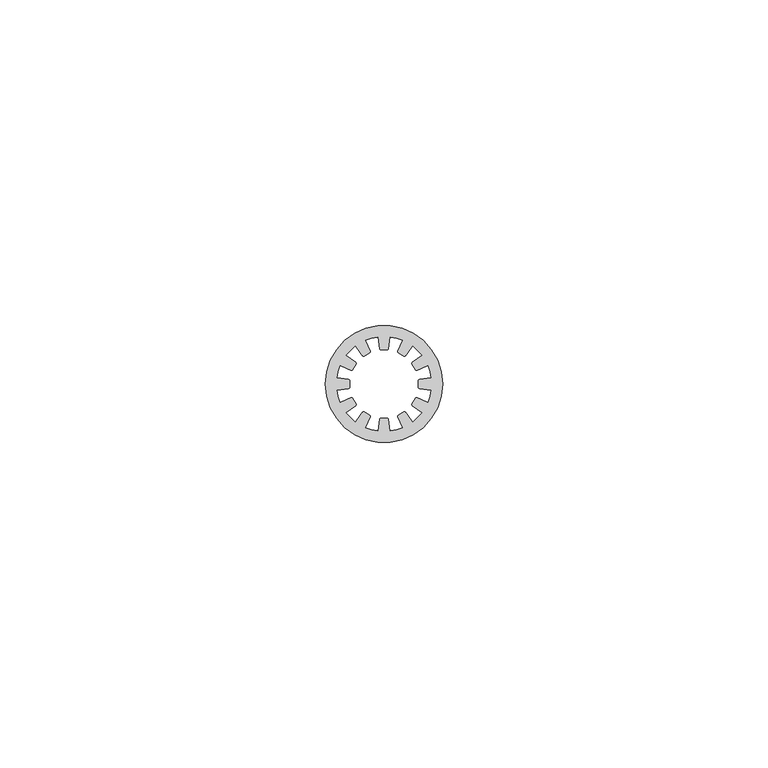
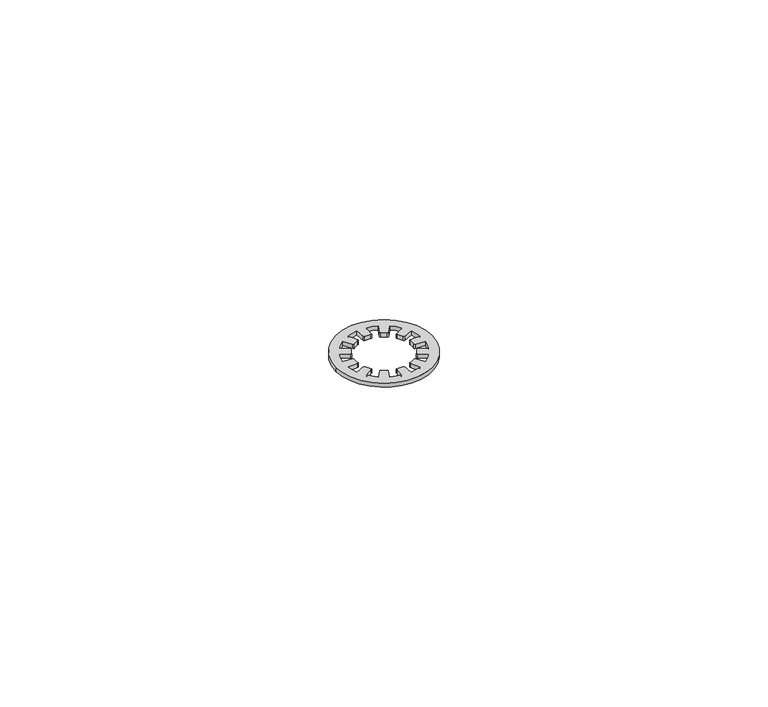
"""IFC4 building model written with IfcOpenShell, lengths in millimetres: proxy geometry."""

from ifc_helpers import new_model, si_unit, point, frame_2d, origin, origin_with_axes, origin_2d, place, context, project, spatial, polyline, circle_curve, trimmed, segment, composite_curve, outline, extrude, source, transform, mapped, element, save


def generic_models_c9ee34f6(model_context):
    return source(origin(), model_context, "Body", "SweptSolid", [
        extrude(outline(composite_curve([segment(trimmed(circle_curve(origin_2d(), 9.0), [point((9.0, 0.0))], [point((-9.0, 0.0))], False, "CARTESIAN"), True, "CONTINUOUS"), segment(trimmed(circle_curve(origin_2d(), 9.0), [point((-9.0, 0.0))], [point((9.0, 0.0))], False, "CARTESIAN"), True, "CONTINUOUS")], self_intersect=False), holes=[composite_curve([segment(trimmed(circle_curve(frame_2d((-5.4, 0.5667338)), 0.2), [point((-5.3825689, 0.7659727))], [point((-5.2, 0.5667338))], False, "CARTESIAN"), True, "CONTINUOUS"), segment(polyline([(-5.2, 0.5667338), (-5.2, -0.5667338)]), True, "CONTINUOUS"), segment(trimmed(circle_curve(frame_2d((-5.4, -0.5667338)), 0.2), [point((-5.2, -0.5667338))], [point((-5.3825689, -0.7659727))], False, "CARTESIAN"), True, "CONTINUOUS"), segment(polyline([(-5.3825689, -0.7659727), (-7.1908551, -0.9241772)]), True, "CONTINUOUS"), segment(trimmed(circle_curve(origin_2d(), 7.25), [point((-7.1908551, -0.9241772))], [point((-6.6895518, -2.7950666))], True, "CARTESIAN"), True, "CONTINUOUS"), segment(polyline([(-6.6895518, -2.7950666), (-5.0444277, -2.0279326)]), True, "CONTINUOUS"), segment(trimmed(circle_curve(frame_2d((-4.9599041, -2.2091942)), 0.2), [point((-5.0444277, -2.0279326))], [point((-4.786699, -2.1091942))], False, "CARTESIAN"), True, "CONTINUOUS"), segment(polyline([(-4.786699, -2.1091942), (-4.2199652, -3.0908058)]), True, "CONTINUOUS"), segment(trimmed(circle_curve(frame_2d((-4.3931703, -3.1908058)), 0.2), [point((-4.2199652, -3.0908058))], [point((-4.278455, -3.3546362))], False, "CARTESIAN"), True, "CONTINUOUS"), segment(polyline([(-4.278455, -3.3546362), (-5.7653745, -4.3957885)]), True, "CONTINUOUS"), segment(trimmed(circle_curve(origin_2d(), 7.25), [point((-5.7653745, -4.3957885))], [point((-4.3957885, -5.7653745))], True, "CARTESIAN"), True, "CONTINUOUS"), segment(polyline([(-4.3957885, -5.7653745), (-3.3546362, -4.278455)]), True, "CONTINUOUS"), segment(trimmed(circle_curve(frame_2d((-3.1908058, -4.3931703)), 0.2), [point((-3.3546362, -4.278455))], [point((-3.0908058, -4.2199652))], False, "CARTESIAN"), True, "CONTINUOUS"), segment(polyline([(-3.0908058, -4.2199652), (-2.1091942, -4.786699)]), True, "CONTINUOUS"), segment(trimmed(circle_curve(frame_2d((-2.2091942, -4.9599041)), 0.2), [point((-2.1091942, -4.786699))], [point((-2.0279326, -5.0444277))], False, "CARTESIAN"), True, "CONTINUOUS"), segment(polyline([(-2.0279326, -5.0444277), (-2.7950666, -6.6895518)]), True, "CONTINUOUS"), segment(trimmed(circle_curve(origin_2d(), 7.25), [point((-2.7950666, -6.6895518))], [point((-0.9241772, -7.1908551))], True, "CARTESIAN"), True, "CONTINUOUS"), segment(polyline([(-0.9241772, -7.1908551), (-0.7659727, -5.3825689)]), True, "CONTINUOUS"), segment(trimmed(circle_curve(frame_2d((-0.5667338, -5.4)), 0.2), [point((-0.7659727, -5.3825689))], [point((-0.5667338, -5.2))], False, "CARTESIAN"), True, "CONTINUOUS"), segment(polyline([(-0.5667338, -5.2), (0.5667338, -5.2)]), True, "CONTINUOUS"), segment(trimmed(circle_curve(frame_2d((0.5667338, -5.4)), 0.2), [point((0.5667338, -5.2))], [point((0.7659727, -5.3825689))], False, "CARTESIAN"), True, "CONTINUOUS"), segment(polyline([(0.7659727, -5.3825689), (0.9241772, -7.1908551)]), True, "CONTINUOUS"), segment(trimmed(circle_curve(origin_2d(), 7.25), [point((0.9241772, -7.1908551))], [point((2.7950666, -6.6895518))], True, "CARTESIAN"), True, "CONTINUOUS"), segment(polyline([(2.7950666, -6.6895518), (2.0279326, -5.0444277)]), True, "CONTINUOUS"), segment(trimmed(circle_curve(frame_2d((2.2091942, -4.9599041)), 0.2), [point((2.0279326, -5.0444277))], [point((2.1091942, -4.786699))], False, "CARTESIAN"), True, "CONTINUOUS"), segment(polyline([(2.1091942, -4.786699), (3.0908058, -4.2199652)]), True, "CONTINUOUS"), segment(trimmed(circle_curve(frame_2d((3.1908058, -4.3931703)), 0.2), [point((3.0908058, -4.2199652))], [point((3.3546362, -4.278455))], False, "CARTESIAN"), True, "CONTINUOUS"), segment(polyline([(3.3546362, -4.278455), (4.3957885, -5.7653745)]), True, "CONTINUOUS"), segment(trimmed(circle_curve(origin_2d(), 7.25), [point((4.3957885, -5.7653745))], [point((5.7653745, -4.3957885))], True, "CARTESIAN"), True, "CONTINUOUS"), segment(polyline([(5.7653745, -4.3957885), (4.278455, -3.3546362)]), True, "CONTINUOUS"), segment(trimmed(circle_curve(frame_2d((4.3931703, -3.1908058)), 0.2), [point((4.278455, -3.3546362))], [point((4.2199652, -3.0908058))], False, "CARTESIAN"), True, "CONTINUOUS"), segment(polyline([(4.2199652, -3.0908058), (4.786699, -2.1091942)]), True, "CONTINUOUS"), segment(trimmed(circle_curve(frame_2d((4.9599041, -2.2091942)), 0.2), [point((4.786699, -2.1091942))], [point((5.0444277, -2.0279326))], False, "CARTESIAN"), True, "CONTINUOUS"), segment(polyline([(5.0444277, -2.0279326), (6.6895518, -2.7950666)]), True, "CONTINUOUS"), segment(trimmed(circle_curve(origin_2d(), 7.25), [point((6.6895518, -2.7950666))], [point((7.1908551, -0.9241772))], True, "CARTESIAN"), True, "CONTINUOUS"), segment(polyline([(7.1908551, -0.9241772), (5.3825689, -0.7659727)]), True, "CONTINUOUS"), segment(trimmed(circle_curve(frame_2d((5.4, -0.5667338)), 0.2), [point((5.3825689, -0.7659727))], [point((5.2, -0.5667338))], False, "CARTESIAN"), True, "CONTINUOUS"), segment(polyline([(5.2, -0.5667338), (5.2, 0.5667338)]), True, "CONTINUOUS"), segment(trimmed(circle_curve(frame_2d((5.4, 0.5667338)), 0.2), [point((5.2, 0.5667338))], [point((5.3825689, 0.7659727))], False, "CARTESIAN"), True, "CONTINUOUS"), segment(polyline([(5.3825689, 0.7659727), (7.1908551, 0.9241772)]), True, "CONTINUOUS"), segment(trimmed(circle_curve(origin_2d(), 7.25), [point((7.1908551, 0.9241772))], [point((6.6895518, 2.7950666))], True, "CARTESIAN"), True, "CONTINUOUS"), segment(polyline([(6.6895518, 2.7950666), (5.0444277, 2.0279326)]), True, "CONTINUOUS"), segment(trimmed(circle_curve(frame_2d((4.9599041, 2.2091942)), 0.2), [point((5.0444277, 2.0279326))], [point((4.786699, 2.1091942))], False, "CARTESIAN"), True, "CONTINUOUS"), segment(polyline([(4.786699, 2.1091942), (4.2199652, 3.0908058)]), True, "CONTINUOUS"), segment(trimmed(circle_curve(frame_2d((4.3931703, 3.1908058)), 0.2), [point((4.2199652, 3.0908058))], [point((4.278455, 3.3546362))], False, "CARTESIAN"), True, "CONTINUOUS"), segment(polyline([(4.278455, 3.3546362), (5.7653745, 4.3957885)]), True, "CONTINUOUS"), segment(trimmed(circle_curve(origin_2d(), 7.25), [point((5.7653745, 4.3957885))], [point((4.3957885, 5.7653745))], True, "CARTESIAN"), True, "CONTINUOUS"), segment(polyline([(4.3957885, 5.7653745), (3.3546362, 4.278455)]), True, "CONTINUOUS"), segment(trimmed(circle_curve(frame_2d((3.1908058, 4.3931703)), 0.2), [point((3.3546362, 4.278455))], [point((3.0908058, 4.2199652))], False, "CARTESIAN"), True, "CONTINUOUS"), segment(polyline([(3.0908058, 4.2199652), (2.1091942, 4.786699)]), True, "CONTINUOUS"), segment(trimmed(circle_curve(frame_2d((2.2091942, 4.9599041)), 0.2), [point((2.1091942, 4.786699))], [point((2.0279326, 5.0444277))], False, "CARTESIAN"), True, "CONTINUOUS"), segment(polyline([(2.0279326, 5.0444277), (2.7950666, 6.6895518)]), True, "CONTINUOUS"), segment(trimmed(circle_curve(origin_2d(), 7.25), [point((2.7950666, 6.6895518))], [point((0.9241772, 7.1908551))], True, "CARTESIAN"), True, "CONTINUOUS"), segment(polyline([(0.9241772, 7.1908551), (0.7659727, 5.3825689)]), True, "CONTINUOUS"), segment(trimmed(circle_curve(frame_2d((0.5667338, 5.4)), 0.2), [point((0.7659727, 5.3825689))], [point((0.5667338, 5.2))], False, "CARTESIAN"), True, "CONTINUOUS"), segment(polyline([(0.5667338, 5.2), (-0.5667338, 5.2)]), True, "CONTINUOUS"), segment(trimmed(circle_curve(frame_2d((-0.5667338, 5.4)), 0.2), [point((-0.5667338, 5.2))], [point((-0.7659727, 5.3825689))], False, "CARTESIAN"), True, "CONTINUOUS"), segment(polyline([(-0.7659727, 5.3825689), (-0.9241772, 7.1908551)]), True, "CONTINUOUS"), segment(trimmed(circle_curve(origin_2d(), 7.25), [point((-0.9241772, 7.1908551))], [point((-2.7950666, 6.6895518))], True, "CARTESIAN"), True, "CONTINUOUS"), segment(polyline([(-2.7950666, 6.6895518), (-2.0279326, 5.0444277)]), True, "CONTINUOUS"), segment(trimmed(circle_curve(frame_2d((-2.2091942, 4.9599041)), 0.2), [point((-2.0279326, 5.0444277))], [point((-2.1091942, 4.786699))], False, "CARTESIAN"), True, "CONTINUOUS"), segment(polyline([(-2.1091942, 4.786699), (-3.0908058, 4.2199652)]), True, "CONTINUOUS"), segment(trimmed(circle_curve(frame_2d((-3.1908058, 4.3931703)), 0.2), [point((-3.0908058, 4.2199652))], [point((-3.3546362, 4.278455))], False, "CARTESIAN"), True, "CONTINUOUS"), segment(polyline([(-3.3546362, 4.278455), (-4.3957885, 5.7653745)]), True, "CONTINUOUS"), segment(trimmed(circle_curve(origin_2d(), 7.25), [point((-4.3957885, 5.7653745))], [point((-5.7653745, 4.3957885))], True, "CARTESIAN"), True, "CONTINUOUS"), segment(polyline([(-5.7653745, 4.3957885), (-4.278455, 3.3546362)]), True, "CONTINUOUS"), segment(trimmed(circle_curve(frame_2d((-4.3931703, 3.1908058)), 0.2), [point((-4.278455, 3.3546362))], [point((-4.2199652, 3.0908058))], False, "CARTESIAN"), True, "CONTINUOUS"), segment(polyline([(-4.2199652, 3.0908058), (-4.786699, 2.1091942)]), True, "CONTINUOUS"), segment(trimmed(circle_curve(frame_2d((-4.9599041, 2.2091942)), 0.2), [point((-4.786699, 2.1091942))], [point((-5.0444277, 2.0279326))], False, "CARTESIAN"), True, "CONTINUOUS"), segment(polyline([(-5.0444277, 2.0279326), (-6.6895518, 2.7950666)]), True, "CONTINUOUS"), segment(trimmed(circle_curve(origin_2d(), 7.25), [point((-6.6895518, 2.7950666))], [point((-7.1908551, 0.9241772))], True, "CARTESIAN"), True, "CONTINUOUS"), segment(polyline([(-7.1908551, 0.9241772), (-5.3825689, 0.7659727)]), True, "CONTINUOUS")], self_intersect=False)]), origin_with_axes(), (0.0, 0.0, 1.0), 0.8),
    ])


if __name__ == "__main__":
    model = new_model("IFC4")
    model_context = context("Model", 3, world=origin())
    ifc_project = project(units=[si_unit("LENGTHUNIT", "METRE", prefix="MILLI")], contexts=[model_context])
    site = spatial("IfcSite", under=ifc_project)
    building = spatial("IfcBuilding", under=site)
    placement = place(None, origin())
    generic_models_shape = generic_models_c9ee34f6(model_context)
    element("IfcBuildingElementProxy", 1, Name="Generic Models", at=placement, inside=building, context=model_context, shape_type="MappedRepresentation", body=[
        mapped(generic_models_shape, transform((0.0, 0.0, 0.0), x_axis=(1.0, 0.0, 0.0), y_axis=(0.0, 1.0, 0.0), z_axis=(0.0, 0.0, 1.0))),
    ])
    save(model, "model.ifc")
